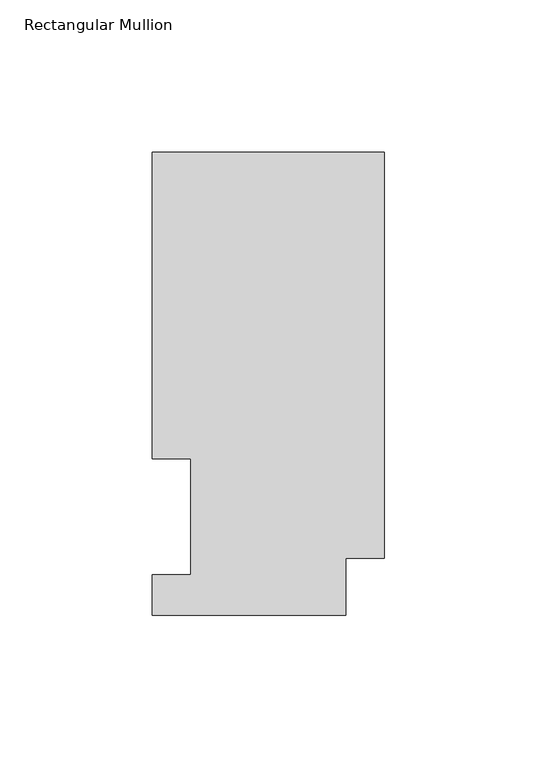
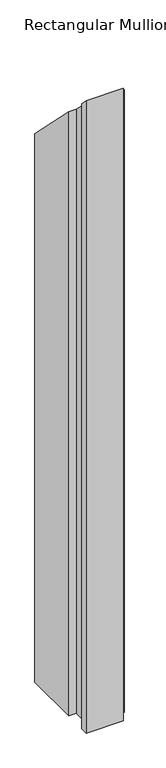
"""IFC4 building model written with IfcOpenShell, lengths in millimetres: member geometry, Rectangular Mullion."""

from ifc_helpers import new_model, si_unit, origin, place, context, project, spatial, faceted_brep, source, transform, mapped, element, save


def rectangular_mullion_186681bd(model_context):
    return source(origin(), model_context, "Body", "Brep", [
        faceted_brep([(0.0, 151.9816938, -1143.0134937), (0.0, 18.7332938, -1143.0134937), (-12.7, 18.7332938, -1143.0134937), (-12.7, 0.0134937, -1143.0134937), (-76.2, 0.0134937, -1143.0134937), (-76.2, 13.1960937, -1143.0134937), (-63.5, 13.1960937, -1143.0134937), (-63.5, 51.2960937, -1143.0134937), (-76.2, 51.2960937, -1143.0134937), (-76.2, 151.9816937, -1143.0134937), (-76.2, 151.9816937, -151.9816938), (0.0, 151.9816938, -151.9816938), (-76.2, 51.2960937, -51.2960938), (-63.5, 51.2960937, -51.2960938), (-63.5, 13.1960937, -13.1960937), (-76.2, 13.1960937, -13.1960937), (-76.2, 0.0134937, -0.0134937), (-12.7, 0.0134937, -0.0134937), (-12.7, 18.7332938, -18.7332938), (0.0, 18.7332938, -18.7332938)], [[[0, 1, 2, 3, 4, 5, 6, 7, 8, 9]], [[10, 11, 0, 9]], [[12, 10, 9, 8]], [[13, 12, 8, 7]], [[14, 13, 7, 6]], [[15, 14, 6, 5]], [[16, 15, 5, 4]], [[17, 16, 4, 3]], [[18, 17, 3, 2]], [[19, 18, 2, 1]], [[11, 19, 1, 0]], [[11, 10, 12, 13, 14, 15, 16, 17, 18, 19]]]),
    ])


if __name__ == "__main__":
    model = new_model("IFC4")
    model_context = context("Model", 3, world=origin())
    ifc_project = project(units=[si_unit("LENGTHUNIT", "METRE", prefix="MILLI")], contexts=[model_context])
    site = spatial("IfcSite", under=ifc_project)
    building = spatial("IfcBuilding", under=site)
    placement = place(None, origin())
    rectangular_mullion_shape = rectangular_mullion_186681bd(model_context)
    element("IfcMember", 1, ObjectType="Rectangular Mullion", at=placement, inside=building, context=model_context, shape_type="MappedRepresentation", body=[
        mapped(rectangular_mullion_shape, transform((0.0, 0.0, 0.0), x_axis=(1.0, 0.0, 0.0), y_axis=(0.0, 1.0, 0.0), z_axis=(0.0, 0.0, 1.0))),
    ])
    save(model, "model.ifc")
